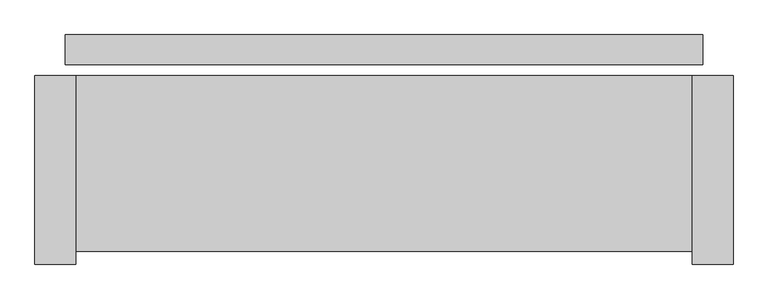
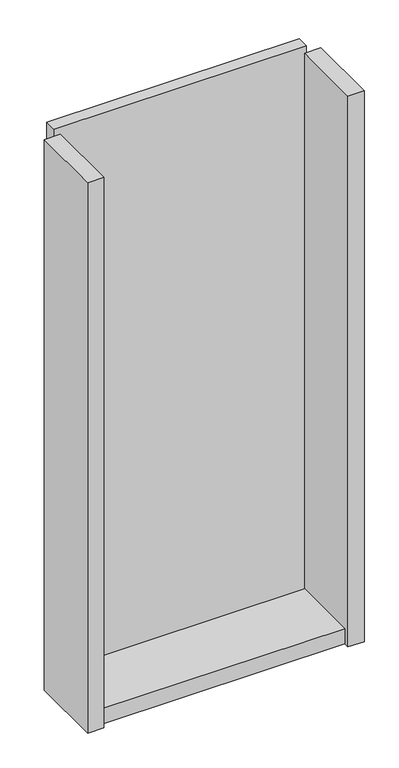
"""IFC4 building model written with IfcOpenShell, lengths in millimetres: plate geometry."""

from ifc_helpers import new_model, si_unit, frame, origin, origin_with_axes, place, context, project, spatial, polyline, outline, extrude, source, transform, mapped, element, save


def plate_eec1df8b(model_context):
    return source(origin(), model_context, "Body", "SweptSolid", [
        extrude(outline(polyline([(471.0, 0.0), (471.0, -44.0), (-471.0, -44.0), (-471.0, 0.0), (471.0, 0.0)])), origin_with_axes(), (0.0, 0.0, 1.0), 2142.0),
        extrude(outline(polyline([(-456.0, -60.0), (-456.0, -340.0), (-516.0, -340.0), (-516.0, -60.0), (-456.0, -60.0)])), frame((0.0, 0.0, -45.0), z_axis=(0.0, 0.0, 1.0), x_axis=(1.0, 0.0, 0.0)), (0.0, 0.0, 1.0), 2172.0),
        extrude(outline(polyline([(456.0, -320.0), (-456.0, -320.0), (-456.0, -60.0), (456.0, -60.0), (456.0, -320.0)])), frame((0.0, 0.0, -45.0), z_axis=(0.0, 0.0, 1.0), x_axis=(1.0, 0.0, 0.0)), (0.0, 0.0, 1.0), 60.0),
        extrude(outline(polyline([(516.0, -60.0), (516.0, -340.0), (456.0, -340.0), (456.0, -60.0), (516.0, -60.0)])), frame((0.0, 0.0, -45.0), z_axis=(0.0, 0.0, 1.0), x_axis=(1.0, 0.0, 0.0)), (0.0, 0.0, 1.0), 2172.0),
    ])


if __name__ == "__main__":
    model = new_model("IFC4")
    model_context = context("Model", 3, world=origin())
    ifc_project = project(units=[si_unit("LENGTHUNIT", "METRE", prefix="MILLI")], contexts=[model_context])
    site = spatial("IfcSite", under=ifc_project)
    building = spatial("IfcBuilding", under=site)
    placement = place(None, origin())
    plate_shape = plate_eec1df8b(model_context)
    element("IfcPlate", 1, at=placement, inside=building, context=model_context, shape_type="MappedRepresentation", body=[
        mapped(plate_shape, transform((0.0, 0.0, 0.0), x_axis=(1.0, 0.0, 0.0), y_axis=(0.0, 1.0, 0.0), z_axis=(0.0, 0.0, 1.0))),
    ])
    save(model, "model.ifc")
